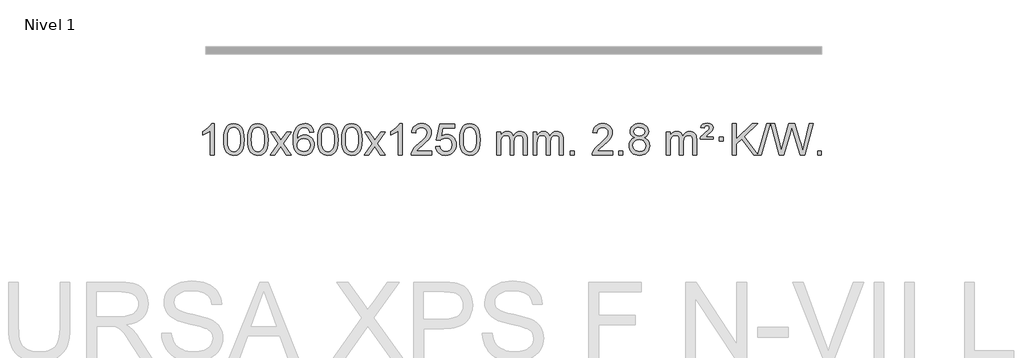
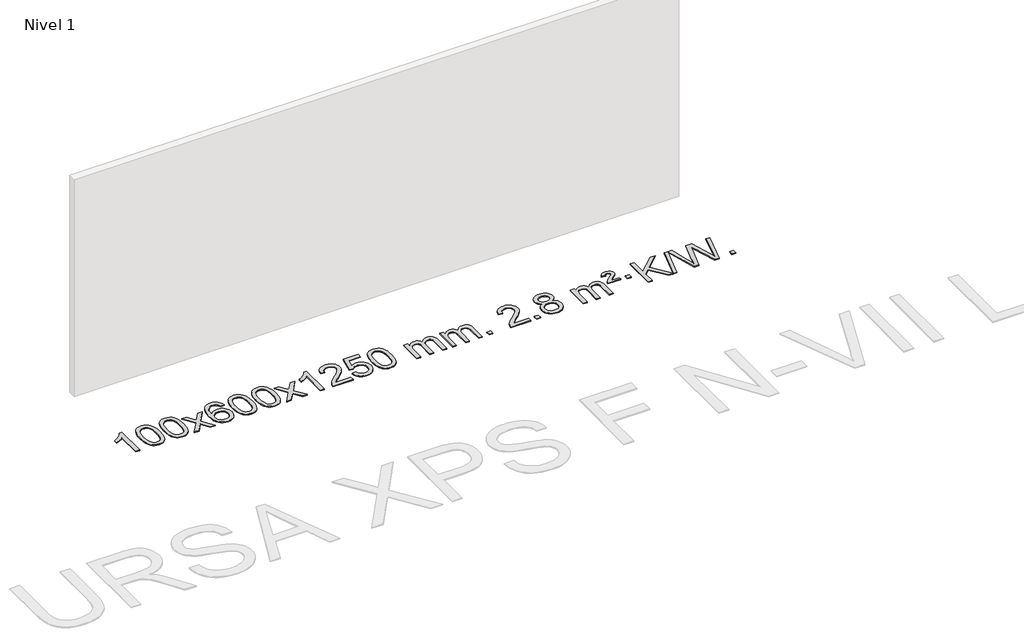
# One storey, part 2 of 3: 1 proxy.
"""IFC4 building model written with IfcOpenShell, lengths in millimetres."""

from ifc_helpers import new_model, si_unit, origin, origin_with_axes, place, context, project, spatial, polyline, outline, extrude, element, save

model = new_model("IFC4")

# Units and contexts
model_context = context("Model", 3, world=origin())
ifc_project = project(units=[si_unit("LENGTHUNIT", "METRE", prefix="MILLI")], contexts=[model_context])

# Site, building, storey
site = spatial("IfcSite", under=ifc_project)
building = spatial("IfcBuilding", under=site)
storey = spatial("IfcBuildingStorey", under=building, Name="Nivel 1", Elevation=0.0)

# Proxy
placement = place(None, origin())
element("IfcBuildingElementProxy", 1, Name="Texto de modelo 1", ObjectType="Texto de modelo 1", at=placement, inside=storey, context=model_context, shape_type="SweptSolid", body=[
    extrude(outline(polyline([(-6421.6378538, -391.579453), (-6471.8660089, -391.579453), (-6471.8660089, -78.4382987), (-6492.8352826, -95.3976587), (-6519.4454136, -112.3324932), (-6572.3223191, -137.6918254), (-6572.3223191, -90.2105225), (-6532.8731065, -68.7507395), (-6498.6968691, -43.219729), (-6471.7556443, -16.0700378), (-6454.0114694, 10.2457876), (-6421.6378538, 10.2457876), (-6421.6378538, -391.579453)])), origin_with_axes(), (0.0, 0.0, 1.0), 10.0),
    extrude(outline(polyline([(-6302.3459855, -193.9041943), (-6298.6549029, -129.5861588), (-6287.5816548, -78.2911459), (-6269.236606, -39.2343407), (-6257.378543, -24.0009605), (-6243.730121, -11.6309284), (-6228.2453547, -2.0598651), (-6210.8782588, 4.7766086), (-6170.4970785, 10.2457876), (-6139.5459399, 7.008426), (-6111.832163, -2.7036586), (-6088.6555973, -18.5103217), (-6071.3160926, -40.0314184), (-6058.2194935, -67.0830078), (-6047.7716449, -99.4811488), (-6040.9290398, -140.6226186), (-6038.6481714, -193.9041943), (-6042.3024659, -257.8543477), (-6053.2653493, -309.0267333), (-6071.5000336, -348.1203266), (-6083.3305054, -363.3996922), (-6096.9697304, -375.8341036), (-6112.4728908, -385.4695462), (-6129.8951689, -392.3520052), (-6170.4970785, -397.8579724), (-6198.1618045, -395.4667394), (-6222.6872709, -388.2930405), (-6244.0734775, -376.3368757), (-6262.3204245, -359.5982449), (-6279.8316074, -329.3399508), (-6292.3395953, -291.6381776), (-6299.844388, -246.4929255), (-6302.3459855, -193.9041943)]), holes=[polyline([(-6252.1178305, -193.8060924), (-6250.6463025, -237.4706195), (-6246.2317185, -272.8148822), (-6238.8740786, -299.8388804), (-6228.5733828, -318.5426142), (-6216.1144459, -331.2682656), (-6202.2820829, -340.3580165), (-6187.0762937, -345.8118671), (-6170.4970785, -347.6298173), (-6153.9178632, -345.8057357), (-6138.7120741, -340.3334911), (-6124.8797111, -331.2130833), (-6112.4207742, -318.4445124), (-6102.1200783, -299.7101217), (-6094.7624384, -272.6922549), (-6090.3478545, -237.3909118), (-6088.8763265, -193.8060924), (-6090.2988035, -151.2973278), (-6094.5662347, -116.5753989), (-6101.6786199, -89.6403055), (-6111.6359592, -70.4920476), (-6123.8864297, -57.1440625), (-6137.8782082, -47.6097875), (-6153.6112949, -41.8892225), (-6171.0856897, -39.9823675), (-6187.5790658, -41.6623619), (-6202.5273375, -46.7023452), (-6215.9305049, -55.1023175), (-6227.7885679, -66.8622786), (-6238.4326203, -87.708925), (-6246.0355148, -115.8151094), (-6250.5972516, -151.1808319), (-6252.1178305, -193.8060924)])]), origin_with_axes(), (0.0, 0.0, 1.0), 10.0),
    extrude(outline(polyline([(-5994.6985357, -193.9041943), (-5991.007453, -129.5861588), (-5979.934205, -78.2911459), (-5961.5891561, -39.2343407), (-5949.7310932, -24.0009605), (-5936.0826711, -11.6309284), (-5920.5979048, -2.0598651), (-5903.230809, 4.7766086), (-5862.8496286, 10.2457876), (-5831.8984901, 7.008426), (-5804.1847131, -2.7036586), (-5781.0081474, -18.5103217), (-5763.6686427, -40.0314184), (-5750.5720437, -67.0830078), (-5740.1241951, -99.4811488), (-5733.2815899, -140.6226186), (-5731.0007216, -193.9041943), (-5734.6550161, -257.8543477), (-5745.6178995, -309.0267333), (-5763.8525837, -348.1203266), (-5775.6830556, -363.3996922), (-5789.3222805, -375.8341036), (-5804.825441, -385.4695462), (-5822.2477191, -392.3520052), (-5862.8496286, -397.8579724), (-5890.5143547, -395.4667394), (-5915.039821, -388.2930405), (-5936.4260277, -376.3368757), (-5954.6729746, -359.5982449), (-5972.1841576, -329.3399508), (-5984.6921454, -291.6381776), (-5992.1969381, -246.4929255), (-5994.6985357, -193.9041943)]), holes=[polyline([(-5944.4703806, -193.8060924), (-5942.9988527, -237.4706195), (-5938.5842687, -272.8148822), (-5931.2266288, -299.8388804), (-5920.9259329, -318.5426142), (-5908.466996, -331.2682656), (-5894.634633, -340.3580165), (-5879.4288439, -345.8118671), (-5862.8496286, -347.6298173), (-5846.2704134, -345.8057357), (-5831.0646243, -340.3334911), (-5817.2322612, -331.2130833), (-5804.7733243, -318.4445124), (-5794.4726285, -299.7101217), (-5787.1149886, -272.6922549), (-5782.7004046, -237.3909118), (-5781.2288766, -193.8060924), (-5782.6513537, -151.2973278), (-5786.9187848, -116.5753989), (-5794.0311701, -89.6403055), (-5803.9885094, -70.4920476), (-5816.2389799, -57.1440625), (-5830.2307584, -47.6097875), (-5845.9638451, -41.8892225), (-5863.4382398, -39.9823675), (-5879.931616, -41.6623619), (-5894.8798877, -46.7023452), (-5908.283055, -55.1023175), (-5920.141118, -66.8622786), (-5930.7851704, -87.708925), (-5938.388065, -115.8151094), (-5942.9498017, -151.1808319), (-5944.4703806, -193.8060924)])]), origin_with_axes(), (0.0, 0.0, 1.0), 10.0),
    extrude(outline(polyline([(-5705.886644, -391.579453), (-5598.5632033, -243.2494325), (-5699.6081246, -96.4890419), (-5639.1773756, -96.4890419), (-5590.4207485, -167.122385), (-5567.6611157, -200.4770192), (-5547.9426408, -173.2047007), (-5492.416985, -96.4890419), (-5431.9862359, -96.4890419), (-5538.1324542, -243.2494325), (-5435.9103105, -391.579453), (-5496.3410596, -391.579453), (-5557.8509292, -302.4048574), (-5569.1326437, -286.1199477), (-5645.455895, -391.579453), (-5705.886644, -391.579453)])), origin_with_axes(), (0.0, 0.0, 1.0), 10.0),
    extrude(outline(polyline([(-5147.0984188, -96.4890419), (-5197.3265739, -102.7675613), (-5205.4199778, -77.874213), (-5216.3583358, -60.8780648), (-5239.142494, -45.2062918), (-5266.6845927, -39.9823675), (-5290.0328367, -43.0235253), (-5312.0076545, -52.1469988), (-5330.8800009, -71.3627017), (-5346.2942565, -97.8134171), (-5356.7053169, -135.227016), (-5360.5680779, -187.3313693), (-5340.4204073, -163.8237098), (-5316.2750857, -147.2567573), (-5289.4810137, -137.434308), (-5261.387092, -134.1601582), (-5237.2540331, -136.398107), (-5214.9849097, -143.1119534), (-5194.5797217, -154.3016975), (-5176.0384691, -169.9673391), (-5160.6303449, -189.1769106), (-5149.6245419, -210.9984443), (-5143.02106, -235.4319401), (-5140.8198994, -262.4773982), (-5144.9647033, -298.4439945), (-5157.3991147, -331.786366), (-5177.0930642, -360.0642287), (-5203.0164821, -380.8372987), (-5233.9921461, -393.602804), (-5268.8428338, -397.8579724), (-5298.7853625, -395.0375437), (-5325.8277548, -386.5762579), (-5349.9700107, -372.4741147), (-5371.2121303, -352.7311143), (-5388.5301752, -326.5133908), (-5400.9002073, -292.9870783), (-5408.3222266, -252.1521768), (-5410.796233, -204.0086864), (-5408.0493807, -150.0342663), (-5399.808824, -103.9693092), (-5386.0745629, -65.8138149), (-5366.8465973, -35.5677835), (-5346.0060823, -15.5243462), (-5321.8423665, -1.2076052), (-5294.3554501, 7.3824394), (-5263.545333, 10.2457876), (-5240.4116869, 8.4738227), (-5219.47307, 3.1579278), (-5200.7294824, -5.7018969), (-5184.1809239, -18.1056515), (-5170.2749845, -33.6364031), (-5159.4592539, -51.8772186), (-5151.733732, -72.8280983), (-5147.0984188, -96.4890419)]), holes=[polyline([(-5360.5680779, -261.6925832), (-5357.6618101, -283.9494439), (-5348.9430068, -305.2007605), (-5335.4049494, -323.472233), (-5318.0409193, -336.7895612), (-5297.0839083, -344.9197533), (-5272.7669084, -347.6298173), (-5239.6207406, -342.0134855), (-5225.7056041, -334.9930708), (-5213.5624326, -325.1644901), (-5203.7123922, -312.9262824), (-5196.676649, -298.6769865), (-5191.0480545, -264.1451299), (-5196.6030726, -230.9989621), (-5203.5468453, -217.3781312), (-5213.268127, -205.725469), (-5225.4480867, -196.3904634), (-5239.7678934, -189.7226022), (-5274.8270476, -184.3883133), (-5307.9241644, -189.7226022), (-5335.6011532, -205.725469), (-5346.5241827, -217.2248471), (-5354.3263467, -230.3858254), (-5359.0076451, -245.2084042), (-5360.5680779, -261.6925832)])]), origin_with_axes(), (0.0, 0.0, 1.0), 10.0),
    extrude(outline(polyline([(-5096.8702638, -193.9041943), (-5093.1791811, -129.5861588), (-5082.105933, -78.2911459), (-5063.7608842, -39.2343407), (-5051.9028212, -24.0009605), (-5038.2543992, -11.6309284), (-5022.7696329, -2.0598651), (-5005.402537, 4.7766086), (-4965.0213567, 10.2457876), (-4934.0702182, 7.008426), (-4906.3564412, -2.7036586), (-4883.1798755, -18.5103217), (-4865.8403708, -40.0314184), (-4852.7437718, -67.0830078), (-4842.2959231, -99.4811488), (-4835.453318, -140.6226186), (-4833.1724496, -193.9041943), (-4836.8267441, -257.8543477), (-4847.7896275, -309.0267333), (-4866.0243118, -348.1203266), (-4877.8547836, -363.3996922), (-4891.4940086, -375.8341036), (-4906.997169, -385.4695462), (-4924.4194471, -392.3520052), (-4965.0213567, -397.8579724), (-4992.6860827, -395.4667394), (-5017.2115491, -388.2930405), (-5038.5977557, -376.3368757), (-5056.8447027, -359.5982449), (-5074.3558856, -329.3399508), (-5086.8638735, -291.6381776), (-5094.3686662, -246.4929255), (-5096.8702638, -193.9041943)]), holes=[polyline([(-5046.6421087, -193.8060924), (-5045.1705807, -237.4706195), (-5040.7559968, -272.8148822), (-5033.3983568, -299.8388804), (-5023.097661, -318.5426142), (-5010.6387241, -331.2682656), (-4996.8063611, -340.3580165), (-4981.6005719, -345.8118671), (-4965.0213567, -347.6298173), (-4948.4421414, -345.8057357), (-4933.2363523, -340.3334911), (-4919.4039893, -331.2130833), (-4906.9450524, -318.4445124), (-4896.6443565, -299.7101217), (-4889.2867166, -272.6922549), (-4884.8721327, -237.3909118), (-4883.4006047, -193.8060924), (-4884.8230817, -151.2973278), (-4889.0905129, -116.5753989), (-4896.2028981, -89.6403055), (-4906.1602375, -70.4920476), (-4918.4107079, -57.1440625), (-4932.4024864, -47.6097875), (-4948.1355731, -41.8892225), (-4965.6099679, -39.9823675), (-4982.103344, -41.6623619), (-4997.0516157, -46.7023452), (-5010.4547831, -55.1023175), (-5022.3128461, -66.8622786), (-5032.9568985, -87.708925), (-5040.559793, -115.8151094), (-5045.1215298, -151.1808319), (-5046.6421087, -193.8060924)])]), origin_with_axes(), (0.0, 0.0, 1.0), 10.0),
    extrude(outline(polyline([(-4789.2228139, -193.9041943), (-4785.5317312, -129.5861588), (-4774.4584832, -78.2911459), (-4756.1134344, -39.2343407), (-4744.2553714, -24.0009605), (-4730.6069494, -11.6309284), (-4715.122183, -2.0598651), (-4697.7550872, 4.7766086), (-4657.3739068, 10.2457876), (-4626.4227683, 7.008426), (-4598.7089913, -2.7036586), (-4575.5324257, -18.5103217), (-4558.1929209, -40.0314184), (-4545.0963219, -67.0830078), (-4534.6484733, -99.4811488), (-4527.8058681, -140.6226186), (-4525.5249998, -193.9041943), (-4529.1792943, -257.8543477), (-4540.1421777, -309.0267333), (-4558.3768619, -348.1203266), (-4570.2073338, -363.3996922), (-4583.8465587, -375.8341036), (-4599.3497192, -385.4695462), (-4616.7719973, -392.3520052), (-4657.3739068, -397.8579724), (-4685.0386329, -395.4667394), (-4709.5640992, -388.2930405), (-4730.9503059, -376.3368757), (-4749.1972528, -359.5982449), (-4766.7084358, -329.3399508), (-4779.2164236, -291.6381776), (-4786.7212164, -246.4929255), (-4789.2228139, -193.9041943)]), holes=[polyline([(-4738.9946588, -193.8060924), (-4737.5231309, -237.4706195), (-4733.1085469, -272.8148822), (-4725.750907, -299.8388804), (-4715.4502112, -318.5426142), (-4702.9912742, -331.2682656), (-4689.1589112, -340.3580165), (-4673.9531221, -345.8118671), (-4657.3739068, -347.6298173), (-4640.7946916, -345.8057357), (-4625.5889025, -340.3334911), (-4611.7565394, -331.2130833), (-4599.2976025, -318.4445124), (-4588.9969067, -299.7101217), (-4581.6392668, -272.6922549), (-4577.2246828, -237.3909118), (-4575.7531548, -193.8060924), (-4577.1756319, -151.2973278), (-4581.443063, -116.5753989), (-4588.5554483, -89.6403055), (-4598.5127876, -70.4920476), (-4610.7632581, -57.1440625), (-4624.7550366, -47.6097875), (-4640.4881233, -41.8892225), (-4657.962518, -39.9823675), (-4674.4558942, -41.6623619), (-4689.4041659, -46.7023452), (-4702.8073333, -55.1023175), (-4714.6653962, -66.8622786), (-4725.3094486, -87.708925), (-4732.9123432, -115.8151094), (-4737.4740799, -151.1808319), (-4738.9946588, -193.8060924)])]), origin_with_axes(), (0.0, 0.0, 1.0), 10.0),
    extrude(outline(polyline([(-4500.4109222, -391.579453), (-4393.0874815, -243.2494325), (-4494.1324029, -96.4890419), (-4433.7016538, -96.4890419), (-4384.9450267, -167.122385), (-4362.1853939, -200.4770192), (-4342.466919, -173.2047007), (-4286.9412632, -96.4890419), (-4226.5105141, -96.4890419), (-4332.6567324, -243.2494325), (-4230.4345887, -391.579453), (-4290.8653378, -391.579453), (-4352.3752074, -302.4048574), (-4363.6569219, -286.1199477), (-4439.9801732, -391.579453), (-4500.4109222, -391.579453)])), origin_with_axes(), (0.0, 0.0, 1.0), 10.0),
    extrude(outline(polyline([(-4010.6864103, -391.579453), (-4060.9145653, -391.579453), (-4060.9145653, -78.4382987), (-4081.8838391, -95.3976587), (-4108.49397, -112.3324932), (-4161.3708755, -137.6918254), (-4161.3708755, -90.2105225), (-4121.9216629, -68.7507395), (-4087.7454255, -43.219729), (-4060.8042007, -16.0700378), (-4043.0600258, 10.2457876), (-4010.6864103, 10.2457876), (-4010.6864103, -391.579453)])), origin_with_axes(), (0.0, 0.0, 1.0), 10.0),
    extrude(outline(polyline([(-3633.9752472, -341.3512979), (-3633.9752472, -391.579453), (-3897.6730613, -391.579453), (-3896.5694154, -373.8965918), (-3892.2774587, -356.9494945), (-3879.8920982, -329.8856424), (-3861.7677786, -303.6311307), (-3835.5500551, -276.1503456), (-3798.8844829, -245.4076736), (-3744.6832023, -197.2641831), (-3712.1624339, -161.7267824), (-3695.9020497, -132.884834), (-3690.4819217, -104.8277005), (-3695.5954814, -79.6768347), (-3710.9361606, -58.7688747), (-3734.5173965, -44.6789943), (-3764.3526263, -39.9823675), (-3795.6839095, -44.5686297), (-3820.0254349, -58.3274163), (-3835.7339961, -80.1796068), (-3841.1663869, -109.0460807), (-3891.394542, -102.7675613), (-3887.0749942, -76.838012), (-3879.2176479, -54.1826125), (-3867.8225031, -34.8013627), (-3852.8895598, -18.6942627), (-3834.7621745, -6.0329907), (-3813.7837037, 3.010775), (-3789.9541475, 8.4370345), (-3763.2735058, 10.2457876), (-3736.3537408, 8.2346994), (-3712.3954258, 2.2014346), (-3691.398561, -7.8540066), (-3673.3631461, -21.9316242), (-3658.8777926, -38.9890861), (-3648.5311115, -57.9840598), (-3642.3231028, -78.9165453), (-3640.2537666, -101.7865427), (-3642.485584, -125.8092369), (-3649.1810363, -149.4149983), (-3661.0636248, -173.4254299), (-3678.8568506, -198.6621347), (-3707.2205524, -228.7916701), (-3750.8145689, -267.4805933), (-3808.5965676, -315.795762), (-3831.2580985, -341.3512979), (-3633.9752472, -341.3512979)])), origin_with_axes(), (0.0, 0.0, 1.0), 10.0),
    extrude(outline(polyline([(-3583.7470921, -284.8446235), (-3533.518937, -278.5661041), (-3524.2973617, -308.7201649), (-3508.2086558, -330.3148381), (-3485.3263957, -343.3010725), (-3455.7241578, -347.6298173), (-3436.5942941, -346.1245668), (-3419.7207732, -341.6088153), (-3405.1035953, -334.0825628), (-3392.7427602, -323.5458094), (-3382.9141796, -310.519721), (-3375.8937648, -295.5254641), (-3370.2774331, -259.6324441), (-3375.5381456, -225.8363514), (-3382.1140362, -211.9181493), (-3391.3202832, -199.9865099), (-3403.1875432, -190.4154467), (-3417.7464732, -183.5789729), (-3454.9393429, -178.1097939), (-3479.3053937, -180.2925604), (-3499.0361314, -186.8408599), (-3514.7937435, -196.8717757), (-3527.2404177, -209.5023908), (-3577.4685727, -203.2238715), (-3533.518937, 3.9672682), (-3338.8848361, 3.9672682), (-3338.8848361, -46.2608869), (-3492.9047648, -46.2608869), (-3514.3890733, -156.919791), (-3496.6632925, -144.2155994), (-3478.508316, -135.1411769), (-3459.9241439, -129.6965234), (-3440.9107761, -127.8816388), (-3416.4496891, -130.1318504), (-3393.9812963, -136.882485), (-3373.5055976, -148.1335427), (-3355.022593, -163.8850234), (-3339.7217677, -183.1743027), (-3328.7926067, -205.038756), (-3322.2351102, -229.4783832), (-3320.049278, -256.4931844), (-3322.0174467, -282.5147042), (-3327.9219527, -306.7213394), (-3337.762796, -329.1130902), (-3351.5399768, -349.6899565), (-3372.4111486, -370.7634634), (-3396.7649367, -385.8159684), (-3424.601341, -394.8474714), (-3455.9203615, -397.8579724), (-3481.8407138, -395.9235262), (-3505.2533371, -390.1201877), (-3526.1582315, -380.447957), (-3544.5553969, -366.9068338), (-3559.8623536, -350.1712688), (-3571.4966217, -330.915712), (-3579.4582012, -309.1401636), (-3583.7470921, -284.8446235)])), origin_with_axes(), (0.0, 0.0, 1.0), 10.0),
    extrude(outline(polyline([(-3276.0996423, -193.9041943), (-3272.4085596, -129.5861588), (-3261.3353115, -78.2911459), (-3242.9902627, -39.2343407), (-3231.1321997, -24.0009605), (-3217.4837777, -11.6309284), (-3201.9990114, -2.0598651), (-3184.6319156, 4.7766086), (-3144.2507352, 10.2457876), (-3113.2995967, 7.008426), (-3085.5858197, -2.7036586), (-3062.409254, -18.5103217), (-3045.0697493, -40.0314184), (-3031.9731503, -67.0830078), (-3021.5253016, -99.4811488), (-3014.6826965, -140.6226186), (-3012.4018281, -193.9041943), (-3016.0561226, -257.8543477), (-3027.0190061, -309.0267333), (-3045.2536903, -348.1203266), (-3057.0841621, -363.3996922), (-3070.7233871, -375.8341036), (-3086.2265475, -385.4695462), (-3103.6488257, -392.3520052), (-3144.2507352, -397.8579724), (-3171.9154613, -395.4667394), (-3196.4409276, -388.2930405), (-3217.8271343, -376.3368757), (-3236.0740812, -359.5982449), (-3253.5852642, -329.3399508), (-3266.093252, -291.6381776), (-3273.5980447, -246.4929255), (-3276.0996423, -193.9041943)]), holes=[polyline([(-3225.8714872, -193.8060924), (-3224.3999592, -237.4706195), (-3219.9853753, -272.8148822), (-3212.6277354, -299.8388804), (-3202.3270395, -318.5426142), (-3189.8681026, -331.2682656), (-3176.0357396, -340.3580165), (-3160.8299505, -345.8118671), (-3144.2507352, -347.6298173), (-3127.67152, -345.8057357), (-3112.4657308, -340.3334911), (-3098.6333678, -331.2130833), (-3086.1744309, -318.4445124), (-3075.873735, -299.7101217), (-3068.5160951, -272.6922549), (-3064.1015112, -237.3909118), (-3062.6299832, -193.8060924), (-3064.0524603, -151.2973278), (-3068.3198914, -116.5753989), (-3075.4322767, -89.6403055), (-3085.389616, -70.4920476), (-3097.6400864, -57.1440625), (-3111.631865, -47.6097875), (-3127.3649516, -41.8892225), (-3144.8393464, -39.9823675), (-3161.3327225, -41.6623619), (-3176.2809943, -46.7023452), (-3189.6841616, -55.1023175), (-3201.5422246, -66.8622786), (-3212.186277, -87.708925), (-3219.7891716, -115.8151094), (-3224.3509083, -151.1808319), (-3225.8714872, -193.8060924)])]), origin_with_axes(), (0.0, 0.0, 1.0), 10.0),
    extrude(outline(polyline([(-2798.9321691, -391.579453), (-2798.9321691, -96.4890419), (-2748.704014, -96.4890419), (-2748.704014, -145.0494653), (-2733.5963267, -122.7435537), (-2714.1721574, -105.2691589), (-2691.0936936, -93.9751816), (-2665.0231228, -90.2105225), (-2637.0886167, -94.048758), (-2614.6968659, -105.5634645), (-2597.9704978, -123.9943524), (-2587.0321399, -148.5811324), (-2568.7238792, -123.0439906), (-2547.8404446, -104.803175), (-2524.3818361, -93.8586857), (-2498.3480536, -90.2105225), (-2478.2402368, -91.7280358), (-2460.5910981, -96.2805755), (-2445.4006374, -103.8681416), (-2432.6688547, -114.4907342), (-2422.6042164, -128.2709806), (-2415.4151891, -145.3315082), (-2411.1017727, -165.6723168), (-2409.6639672, -189.2934066), (-2409.6639672, -391.579453), (-2459.8921223, -391.579453), (-2459.8921223, -210.875817), (-2461.057082, -185.8230531), (-2464.5519609, -168.9372695), (-2471.1002604, -157.3735121), (-2481.4254818, -148.2868268), (-2494.7060218, -142.4007149), (-2510.1202774, -140.4386776), (-2537.3312823, -145.4663982), (-2559.5145666, -160.54956), (-2568.1199396, -172.1194488), (-2574.2666346, -186.7182326), (-2579.1839906, -225.0024856), (-2579.1839906, -391.579453), (-2629.4121457, -391.579453), (-2629.4121457, -205.2840106), (-2632.3184135, -176.8835206), (-2641.0372167, -156.6254854), (-2656.3778959, -144.4853796), (-2679.1497914, -140.4386776), (-2698.5003844, -143.1364789), (-2716.3303984, -151.2298828), (-2731.0456782, -164.5226856), (-2741.0520685, -182.8186835), (-2746.7910276, -208.2025411), (-2748.704014, -242.7589232), (-2748.704014, -391.579453), (-2798.9321691, -391.579453)])), origin_with_axes(), (0.0, 0.0, 1.0), 10.0),
    extrude(outline(polyline([(-2334.3217346, -391.579453), (-2334.3217346, -96.4890419), (-2284.0935796, -96.4890419), (-2284.0935796, -145.0494653), (-2268.9858923, -122.7435537), (-2249.5617229, -105.2691589), (-2226.4832591, -93.9751816), (-2200.4126884, -90.2105225), (-2172.4781822, -94.048758), (-2150.0864315, -105.5634645), (-2133.3600634, -123.9943524), (-2122.4217054, -148.5811324), (-2104.1134448, -123.0439906), (-2083.2300102, -104.803175), (-2059.7714016, -93.8586857), (-2033.7376191, -90.2105225), (-2013.6298024, -91.7280358), (-1995.9806637, -96.2805755), (-1980.790203, -103.8681416), (-1968.0584202, -114.4907342), (-1957.993782, -128.2709806), (-1950.8047547, -145.3315082), (-1946.4913383, -165.6723168), (-1945.0535328, -189.2934066), (-1945.0535328, -391.579453), (-1995.2816879, -391.579453), (-1995.2816879, -210.875817), (-1996.4466475, -185.8230531), (-1999.9415265, -168.9372695), (-2006.489826, -157.3735121), (-2016.8150473, -148.2868268), (-2030.0955874, -142.4007149), (-2045.509843, -140.4386776), (-2072.7208479, -145.4663982), (-2094.9041322, -160.54956), (-2103.5095052, -172.1194488), (-2109.6562002, -186.7182326), (-2114.5735562, -225.0024856), (-2114.5735562, -391.579453), (-2164.8017113, -391.579453), (-2164.8017113, -205.2840106), (-2167.707979, -176.8835206), (-2176.4267823, -156.6254854), (-2191.7674615, -144.4853796), (-2214.539357, -140.4386776), (-2233.88995, -143.1364789), (-2251.719964, -151.2298828), (-2266.4352438, -164.5226856), (-2276.4416341, -182.8186835), (-2282.1805932, -208.2025411), (-2284.0935796, -242.7589232), (-2284.0935796, -391.579453), (-2334.3217346, -391.579453)])), origin_with_axes(), (0.0, 0.0, 1.0), 10.0),
    extrude(outline(polyline([(-1857.1542614, -391.579453), (-1857.1542614, -341.3512979), (-1806.9261064, -341.3512979), (-1806.9261064, -391.579453), (-1857.1542614, -391.579453)])), origin_with_axes(), (0.0, 0.0, 1.0), 10.0),
    extrude(outline(polyline([(-1310.923075, -341.3512979), (-1310.923075, -391.579453), (-1574.6208891, -391.579453), (-1573.5172431, -373.8965918), (-1569.2252865, -356.9494945), (-1556.839926, -329.8856424), (-1538.7156064, -303.6311307), (-1512.4978829, -276.1503456), (-1475.8323107, -245.4076736), (-1421.6310301, -197.2641831), (-1389.1102617, -161.7267824), (-1372.8498775, -132.884834), (-1367.4297494, -104.8277005), (-1372.5433092, -79.6768347), (-1387.8839884, -58.7688747), (-1411.4652243, -44.6789943), (-1441.3004541, -39.9823675), (-1472.6317373, -44.5686297), (-1496.9732627, -58.3274163), (-1512.6818239, -80.1796068), (-1518.1142147, -109.0460807), (-1568.3423697, -102.7675613), (-1564.022822, -76.838012), (-1556.1654757, -54.1826125), (-1544.7703309, -34.8013627), (-1529.8373876, -18.6942627), (-1511.7100023, -6.0329907), (-1490.7315315, 3.010775), (-1466.9019753, 8.4370345), (-1440.2213336, 10.2457876), (-1413.3015686, 8.2346994), (-1389.3432536, 2.2014346), (-1368.3463888, -7.8540066), (-1350.3109739, -21.9316242), (-1335.8256204, -38.9890861), (-1325.4789393, -57.9840598), (-1319.2709306, -78.9165453), (-1317.2015944, -101.7865427), (-1319.4334118, -125.8092369), (-1326.1288641, -149.4149983), (-1338.0114526, -173.4254299), (-1355.8046784, -198.6621347), (-1384.1683802, -228.7916701), (-1427.7623967, -267.4805933), (-1485.5443954, -315.795762), (-1508.2059263, -341.3512979), (-1310.923075, -341.3512979)])), origin_with_axes(), (0.0, 0.0, 1.0), 10.0),
    extrude(outline(polyline([(-1235.5808424, -391.579453), (-1235.5808424, -341.3512979), (-1185.3526873, -341.3512979), (-1185.3526873, -391.579453), (-1235.5808424, -391.579453)])), origin_with_axes(), (0.0, 0.0, 1.0), 10.0),
    extrude(outline(polyline([(-1030.5479437, -170.2616447), (-1057.4401176, -157.0178929), (-1076.3124639, -139.0652515), (-1087.4592884, -116.7716026), (-1091.1748965, -90.5048281), (-1089.1515456, -70.0199324), (-1083.0814926, -51.2395565), (-1072.9647378, -34.1637006), (-1058.801281, -18.7923645), (-1041.2717039, -6.088173), (-1021.0565883, 2.9862496), (-998.1559341, 8.4309031), (-972.5697413, 10.2457876), (-946.8609212, 8.3879835), (-923.7885887, 2.8145713), (-903.3527439, -6.4744491), (-885.5533867, -19.4790776), (-871.1324125, -35.1508506), (-860.8317166, -52.4413044), (-854.6512991, -71.3504389), (-852.5911599, -91.8782543), (-856.2577171, -117.2989001), (-867.2573888, -139.2124043), (-885.7128022, -157.0546811), (-911.7465848, -170.2616447), (-880.8322344, -186.1909351), (-858.3301191, -209.6495436), (-844.6081206, -239.5092989), (-840.0341212, -274.6420295), (-842.3027268, -299.6947933), (-849.1085437, -322.6628926), (-860.4515719, -343.5463272), (-876.3318114, -362.3450971), (-895.9153962, -377.88198), (-918.3684607, -388.9797536), (-943.6910047, -395.6384177), (-971.8830282, -397.8579724), (-1000.0750518, -395.6292206), (-1025.3975958, -388.9429654), (-1047.8506602, -377.7992066), (-1067.4342451, -362.1979443), (-1083.3144846, -343.26735), (-1094.6575128, -322.135595), (-1101.4633297, -298.8026795), (-1103.7319353, -273.2686033), (-1098.9739948, -236.7747094), (-1084.7001734, -206.7555386), (-1061.6462351, -184.2411605), (-1030.5479437, -170.2616447)]), holes=[polyline([(-1053.5037802, -271.5027698), (-1051.4068529, -290.7184726), (-1045.1160707, -309.3210389), (-1033.5032624, -325.5446349), (-1015.4402565, -337.623427), (-993.8087951, -345.1282197), (-971.4906208, -347.6298173), (-937.3021207, -342.3691048), (-923.408444, -335.7932141), (-911.6484829, -326.5869672), (-895.6088279, -302.6869002), (-890.2622762, -273.0723996), (-895.7805062, -242.9551269), (-912.3351959, -218.5277625), (-924.4139881, -209.0854579), (-938.5774449, -202.3409547), (-973.1583525, -196.9453521), (-1006.868606, -202.2673783), (-1020.6059328, -208.919911), (-1032.2647264, -218.2334569), (-1048.1940168, -242.1948375), (-1053.5037802, -271.5027698)]), polyline([(-1040.9467415, -91.9763561), (-1036.4953693, -113.902123), (-1023.1412529, -131.413306), (-1001.2767996, -142.8912243), (-971.294417, -146.717197), (-942.0110102, -142.9157497), (-920.4776508, -131.5114079), (-907.2338989, -114.5888361), (-902.819315, -94.232699), (-907.3810517, -73.1040098), (-921.066262, -55.629615), (-942.893927, -43.8941794), (-971.8830282, -39.9823675), (-1001.0560705, -43.8083402), (-1022.8469473, -55.2862585), (-1036.4217929, -72.1107284), (-1040.9467415, -91.9763561)])]), origin_with_axes(), (0.0, 0.0, 1.0), 10.0),
    extrude(outline(polyline([(-626.5644621, -391.579453), (-626.5644621, -96.4890419), (-576.336307, -96.4890419), (-576.336307, -145.0494653), (-561.2286197, -122.7435537), (-541.8044504, -105.2691589), (-518.7259866, -93.9751816), (-492.6554158, -90.2105225), (-464.7209097, -94.048758), (-442.3291589, -105.5634645), (-425.6027909, -123.9943524), (-414.6644329, -148.5811324), (-396.3561722, -123.0439906), (-375.4727377, -104.803175), (-352.0141291, -93.8586857), (-325.9803466, -90.2105225), (-305.8725298, -91.7280358), (-288.2233911, -96.2805755), (-273.0329304, -103.8681416), (-260.3011477, -114.4907342), (-250.2365094, -128.2709806), (-243.0474821, -145.3315082), (-238.7340657, -165.6723168), (-237.2962603, -189.2934066), (-237.2962603, -391.579453), (-287.5244153, -391.579453), (-287.5244153, -210.875817), (-288.689375, -185.8230531), (-292.1842539, -168.9372695), (-298.7325535, -157.3735121), (-309.0577748, -148.2868268), (-322.3383148, -142.4007149), (-337.7525704, -140.4386776), (-364.9635753, -145.4663982), (-387.1468596, -160.54956), (-395.7522326, -172.1194488), (-401.8989276, -186.7182326), (-406.8162836, -225.0024856), (-406.8162836, -391.579453), (-457.0444387, -391.579453), (-457.0444387, -205.2840106), (-459.9507065, -176.8835206), (-468.6695098, -156.6254854), (-484.010189, -144.4853796), (-506.7820845, -140.4386776), (-526.1326774, -143.1364789), (-543.9626914, -151.2298828), (-558.6779713, -164.5226856), (-568.6843615, -182.8186835), (-574.4233206, -208.2025411), (-576.336307, -242.7589232), (-576.336307, -391.579453), (-626.5644621, -391.579453)])), origin_with_axes(), (0.0, 0.0, 1.0), 10.0),
    extrude(outline(polyline([(-193.3466246, -190.6668327), (-189.5206518, -174.8479069), (-181.1819933, -158.9799302), (-159.6731593, -133.8413272), (-127.7164766, -106.1030247), (-83.5706372, -68.726214), (-76.4337265, -57.1992448), (-74.0547563, -45.3779701), (-75.9432172, -33.2869152), (-81.6085999, -23.5012541), (-90.977328, -17.026531), (-103.9758252, -14.8682899), (-116.4102366, -16.4869707), (-125.26393, -21.343013), (-131.6896022, -30.8098431), (-136.8399501, -46.2608869), (-187.0681052, -39.9823675), (-176.2278491, -14.7701881), (-159.5995829, 2.7900458), (-135.834406, 13.0907417), (-103.5834178, 16.524307), (-67.8007624, 12.3917659), (-43.0545668, -0.0058573), (-28.6335926, -18.3386434), (-23.8266012, -40.2766731), (-27.9223541, -63.1834586), (-40.2096127, -84.8149199), (-60.737428, -104.6314968), (-97.2067965, -132.6886303), (-122.8113834, -159.2742358), (-23.8266012, -159.2742358), (-23.8266012, -190.6668327), (-193.3466246, -190.6668327)])), origin_with_axes(), (0.0, 0.0, 1.0), 10.0),
    extrude(outline(polyline([(51.5156314, -215.7809102), (51.5156314, -165.5527552), (101.7437865, -165.5527552), (101.7437865, -215.7809102), (51.5156314, -215.7809102)])), origin_with_axes(), (0.0, 0.0, 1.0), 10.0),
    extrude(outline(polyline([(492.3854144, -391.579453), (338.954097, -188.9009991), (271.2638099, -253.4520265), (271.2638099, -391.579453), (221.0356548, -391.579453), (221.0356548, 10.2457876), (271.2638099, 10.2457876), (271.2638099, -186.4484525), (477.2777272, 10.2457876), (547.5186628, 10.2457876), (374.5650741, -154.9577537), (549.218684, -385.5349332), (660.5320117, 10.2457876), (705.8550735, 10.2457876), (592.8417246, -391.579453), (553.7971822, -391.579453), (547.5186628, -391.579453), (492.3854144, -391.579453)])), origin_with_axes(), (0.0, 0.0, 1.0), 10.0),
    extrude(outline(polyline([(820.3399504, -391.579453), (710.7601668, 10.2457876), (762.5579517, 10.2457876), (826.1279605, -253.844434), (845.7483335, -335.3670841), (866.7421327, -263.2622131), (946.4008474, 10.2457876), (1021.056367, 10.2457876), (1078.9364675, -188.0180823), (1103.731714, -261.5944814), (1122.0031864, -335.3670841), (1141.0349483, -256.1988788), (1205.1935683, 10.2457876), (1256.9913532, 10.2457876), (1147.3134677, -391.579453), (1093.6517474, -391.579453), (997.3157155, -81.5775584), (983.87576, -38.3146358), (968.7680727, -90.4067263), (880.9669032, -391.579453), (820.3399504, -391.579453)])), origin_with_axes(), (0.0, 0.0, 1.0), 10.0),
    extrude(outline(polyline([(1313.4980277, -391.579453), (1313.4980277, -341.3512979), (1363.7261827, -341.3512979), (1363.7261827, -391.579453), (1313.4980277, -391.579453)])), origin_with_axes(), (0.0, 0.0, 1.0), 10.0),
])

save(model, "model.ifc")
